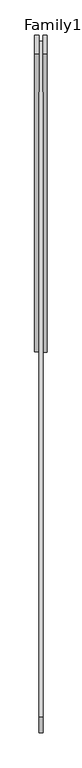
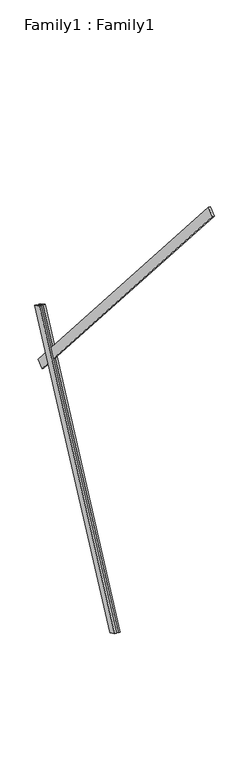
"""IFC4 building model written with IfcOpenShell, lengths in millimetres: proxy geometry, Family1 : Family1."""

from ifc_helpers import new_model, si_unit, frame, origin, place, context, project, spatial, polyline, outline, extrude, source, transform, mapped, element, save


def family1_family1_73497684(model_context):
    return source(origin(), model_context, "Body", "SweptSolid", [
        extrude(outline(polyline([(0.0, 0.0), (0.0, -20.0), (-100.0000001, -20.0), (-100.0000001, 0.0), (0.0, 0.0)])), frame((-30.0, 46.3241747, -22.5938096), z_axis=(0.0, 0.4383711467890692, 0.8987940462991711), x_axis=(0.0, 0.8987940462991711, -0.4383711467890692)), (0.0, 0.0, 1.0), 3300.0),
        extrude(outline(polyline([(0.0, 0.0), (0.0, -20.0), (-99.9999999, -20.0), (-99.9999999, 0.0), (0.0, 0.0)])), frame((10.0, 45.270232, -22.0797674), z_axis=(0.0, 0.4383711467890692, 0.8987940462991711), x_axis=(0.0, 0.8987940462991711, -0.4383711467890692)), (0.0, 0.0, 1.0), 3300.0),
        extrude(outline(polyline([(0.0, 0.0), (0.0, -100.0000001), (-20.0, -100.0000001), (-20.0, 0.0), (0.0, 0.0)])), frame((10.0, 1463.1323313, 2321.7020646), z_axis=(0.0, -0.656059028990506, 0.7547095802227732), x_axis=(1.0, 0.0, 0.0)), (0.0, 0.0, 1.0), 5000.0),
    ])


if __name__ == "__main__":
    model = new_model("IFC4")
    model_context = context("Model", 3, world=origin())
    ifc_project = project(units=[si_unit("LENGTHUNIT", "METRE", prefix="MILLI")], contexts=[model_context])
    site = spatial("IfcSite", under=ifc_project)
    building = spatial("IfcBuilding", under=site)
    placement = place(None, origin())
    family1_family1_shape = family1_family1_73497684(model_context)
    element("IfcBuildingElementProxy", 1, Name="Family1 : Family1", ObjectType="Family1 : Family1", at=placement, inside=building, context=model_context, shape_type="MappedRepresentation", body=[
        mapped(family1_family1_shape, transform((0.0, 0.0, 0.0), x_axis=(1.0, 0.0, 0.0), y_axis=(0.0, 1.0, 0.0), z_axis=(0.0, 0.0, 1.0))),
    ])
    save(model, "model.ifc")
